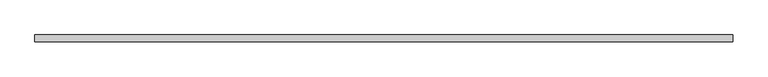
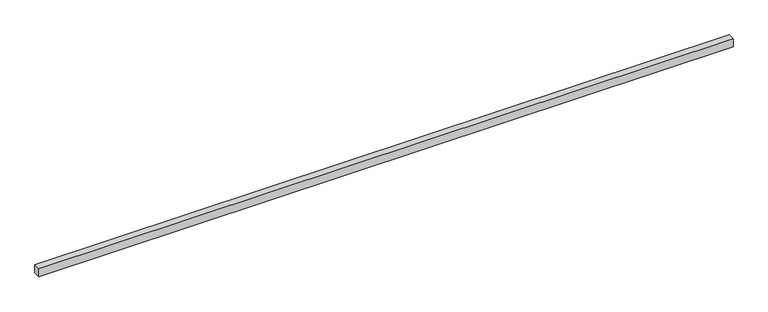
"""IFC4 building model written with IfcOpenShell, lengths in millimetres: proxy geometry."""

from ifc_helpers import new_model, si_unit, origin, origin_with_axes, place, context, project, spatial, polyline, outline, extrude, source, transform, mapped, element, save


def generic_models_67afd7a2(model_context):
    return source(origin(), model_context, "Body", "SweptSolid", [
        extrude(outline(polyline([(8156.6105079, -40.0), (0.0, -40.0), (0.0, 40.0), (8156.6105079, 40.0), (8156.6105079, -40.0)])), origin_with_axes(), (0.0, 0.0, 1.0), 100.0),
    ])


if __name__ == "__main__":
    model = new_model("IFC4")
    model_context = context("Model", 3, world=origin())
    ifc_project = project(units=[si_unit("LENGTHUNIT", "METRE", prefix="MILLI")], contexts=[model_context])
    site = spatial("IfcSite", under=ifc_project)
    building = spatial("IfcBuilding", under=site)
    placement = place(None, origin())
    generic_models_shape = generic_models_67afd7a2(model_context)
    element("IfcBuildingElementProxy", 1, Name="Generic Models", at=placement, inside=building, context=model_context, shape_type="MappedRepresentation", body=[
        mapped(generic_models_shape, transform((0.0, 0.0, 0.0), x_axis=(1.0, 0.0, 0.0), y_axis=(0.0, 1.0, 0.0), z_axis=(0.0, 0.0, 1.0))),
    ])
    save(model, "model.ifc")
